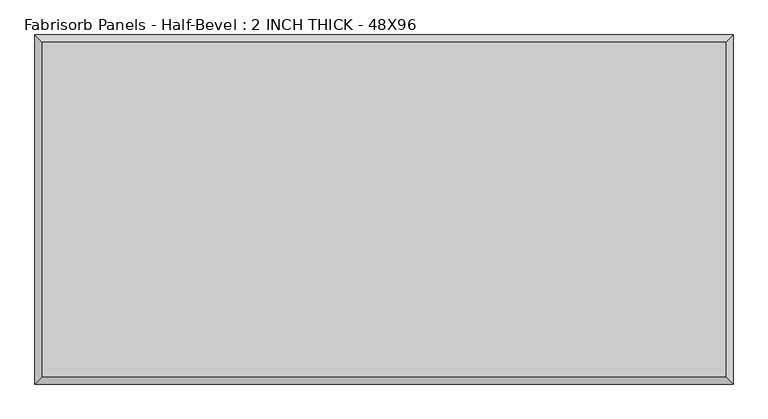
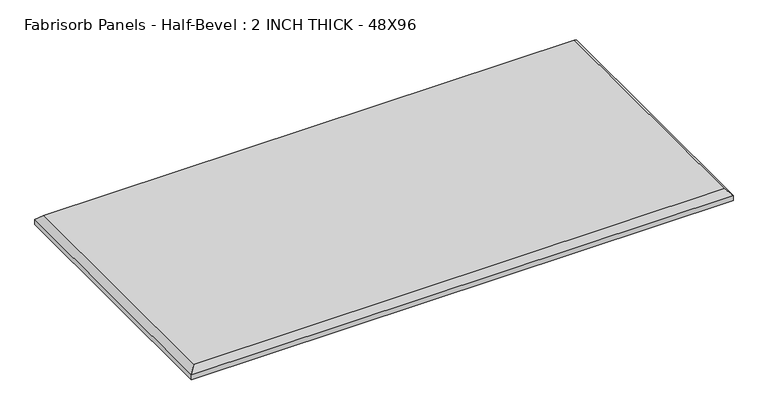
"""IFC4 building model written with IfcOpenShell, lengths in millimetres: proxy geometry, Fabrisorb Panels - Half-Bevel : 2 INCH THICK - 48X96."""

from ifc_helpers import new_model, si_unit, origin, place, context, project, spatial, faceted_brep, source, transform, mapped, element, save


def fabrisorb_panels_half_bevel_2_inch_thick_48x96_1b854b1f(model_context):
    return source(origin(), model_context, "Body", "Brep", [
        faceted_brep([(1193.8, 584.2, 50.8), (-1193.8, 584.2, 50.8), (-1193.8, -584.2, 50.8), (1193.8, -584.2, 50.8), (-1219.2, 609.6, 0.0), (1219.2, 609.6, 0.0), (1219.2, -609.6, 0.0), (-1219.2, -609.6, 0.0), (-1219.2, -609.6, 25.4), (-1219.2, 609.6, 25.4), (1219.2, -609.6, 25.4), (1219.2, 609.6, 25.4)], [[[0, 1, 2, 3]], [[4, 5, 6, 7]], [[4, 7, 8, 9]], [[7, 6, 10, 8]], [[6, 5, 11, 10]], [[5, 4, 9, 11]], [[9, 1, 0, 11]], [[1, 9, 8, 2]], [[2, 8, 10, 3]], [[11, 0, 3, 10]]]),
    ])


if __name__ == "__main__":
    model = new_model("IFC4")
    model_context = context("Model", 3, world=origin())
    ifc_project = project(units=[si_unit("LENGTHUNIT", "METRE", prefix="MILLI")], contexts=[model_context])
    site = spatial("IfcSite", under=ifc_project)
    building = spatial("IfcBuilding", under=site)
    placement = place(None, origin())
    fabrisorb_panels_half_bevel_2_inch_thick_48x96_shape = fabrisorb_panels_half_bevel_2_inch_thick_48x96_1b854b1f(model_context)
    element("IfcBuildingElementProxy", 1, Name="Fabrisorb Panels - Half-Bevel : 2 INCH THICK - 48X96", ObjectType="Fabrisorb Panels - Half-Bevel : 2 INCH THICK - 48X96", at=placement, inside=building, context=model_context, shape_type="MappedRepresentation", body=[
        mapped(fabrisorb_panels_half_bevel_2_inch_thick_48x96_shape, transform((0.0, 0.0, 0.0), x_axis=(1.0, 0.0, 0.0), y_axis=(0.0, 1.0, 0.0), z_axis=(0.0, 0.0, 1.0))),
    ])
    save(model, "model.ifc")
